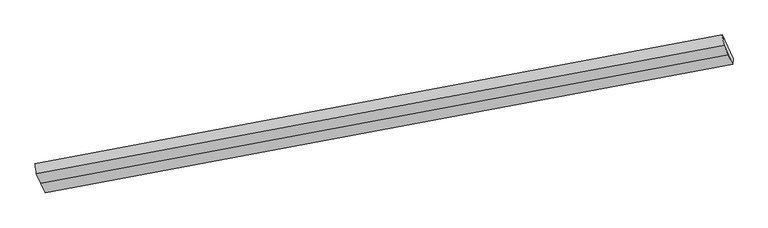
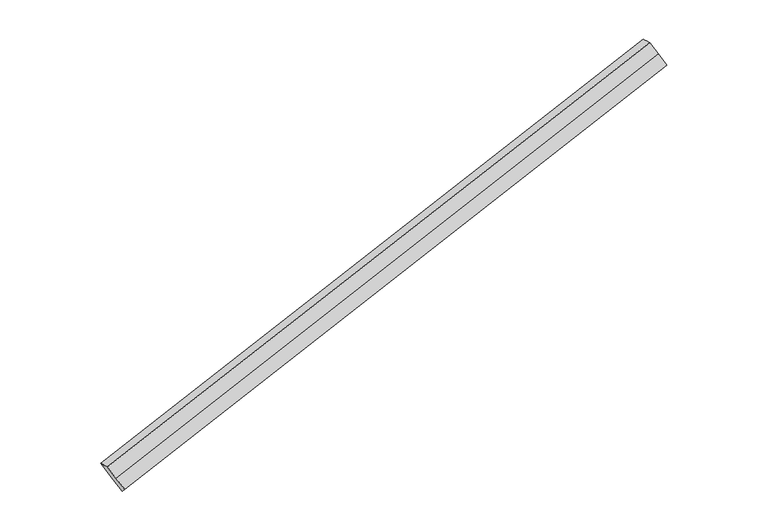
"""IFC4 building model written with IfcOpenShell, lengths in millimetres: proxy geometry."""

from ifc_helpers import new_model, si_unit, frame, origin, place, context, project, spatial, source, transform, mapped, element, save
from ifc_brep_helpers import plane_surface, spline_surface, advanced_brep


def generic_models_4d39e2ae(model_context):
    return source(origin(), model_context, "Body", "AdvancedBrep", [
        advanced_brep(
        [(-7550.2928132, -2327.3627834, 615.7398479), (-7622.6841166, -2165.5220754, 768.9480267), (1748.8210481, -413.0305272, 3343.0591177), (1821.2123514, -574.8712351, 3189.8509389), (-7601.2455731, -2306.2617088, 787.8731204), (1769.720973, -553.8709658, 3361.8361975), (-7542.9815692, -2436.5188973, 664.5638067), (1827.9849769, -684.1281543, 3238.5268838), (-7484.7175652, -2566.7760858, 541.254493), (1886.2489808, -814.3853428, 3115.2175701), (-7477.9015099, -2489.2034913, 462.5316691), (1893.6036548, -736.7119431, 3036.64276)],
        [
            (0, 1),
            (1, 2),
            (2, 3),
            (3, 0),
            (1, 4),
            (4, 5),
            (5, 2),
            (4, 6),
            (6, 7),
            (7, 5),
            (6, 8),
            (8, 9),
            (9, 7),
            (8, 10),
            (10, 11),
            (11, 9),
            (10, 0),
            (3, 11),
        ],
        [
            plane_surface(frame((-7586.4884649, -2246.4424294, 692.3439373), z_axis=(0.06400208481347025, 0.701013123993233, -0.7102706055643705), x_axis=(-0.3089426241382206, 0.6906836970596586, 0.6538428600257037))),
            spline_surface(1, 1, [[(-7622.6841166, -2165.5220754, 768.9480267), (1748.8210481, -413.0305272, 3343.0591177)], [(-7601.2455731, -2306.2617088, 787.8731204), (1769.720973, -553.8709658, 3361.8361975)]], [2, 2], [2, 2], [0.0, 1.0], [0.0, 1.0]),
            plane_surface(frame((-7572.1135711, -2371.3903031, 726.2184635), z_axis=(-0.06400208564220937, -0.7010131241483449, 0.7102706053366031), x_axis=(0.3089426241382622, -0.6906836970596338, -0.6538428600257101))),
            plane_surface(frame((-7513.8495672, -2501.6474916, 602.9091498), z_axis=(-0.06400208564220877, -0.7010131241483452, 0.7102706053366032), x_axis=(0.30894262413826007, -0.6906836970596342, -0.653842860025711))),
            spline_surface(1, 1, [[(-7484.7175652, -2566.7760858, 541.254493), (1886.2489808, -814.3853428, 3115.2175701)], [(-7477.9015099, -2489.2034913, 462.5316691), (1893.6036548, -736.7119431, 3036.64276)]], [2, 2], [2, 2], [0.0, 1.0], [0.0, 1.0]),
            plane_surface(frame((-7514.0971616, -2408.2831373, 539.1357585), z_axis=(0.06400208481346441, 0.7010131239932481, -0.7102706055643563), x_axis=(-0.3089426241382598, 0.6906836970596364, 0.6538428600257087))),
            plane_surface(frame((1824.5986642, -629.4996947, 3214.1889113), z_axis=(0.9487586076193287, 0.1757989233493064, 0.2625868294820926), x_axis=(0.066419571353758, 0.7014633056440652, -0.7096038834279896))),
            plane_surface(frame((-7546.6371912, -2381.9408403, 640.1518273), z_axis=(-0.9490866108153224, -0.17939232924914061, -0.25894593524064574), x_axis=(0.30894262413820317, -0.6906836970596298, -0.6538428600257423))),
        ],
        [
            (0, [[1, 2, 3, 4]]),
            (1, [[5, 6, 7, -2]]),
            (2, [[8, 9, 10, -6]]),
            (3, [[11, 12, 13, -9]]),
            (4, [[14, 15, 16, -12]]),
            (5, [[17, -4, 18, -15]]),
            (6, [[-16, -18, -3, -7, -10, -13]]),
            (7, [[-17, -14, -11, -8, -5, -1]]),
        ],
    ),
    ])


if __name__ == "__main__":
    model = new_model("IFC4")
    model_context = context("Model", 3, world=origin())
    ifc_project = project(units=[si_unit("LENGTHUNIT", "METRE", prefix="MILLI")], contexts=[model_context])
    site = spatial("IfcSite", under=ifc_project)
    building = spatial("IfcBuilding", under=site)
    placement = place(None, origin())
    generic_models_shape = generic_models_4d39e2ae(model_context)
    element("IfcBuildingElementProxy", 1, Name="Generic Models", at=placement, inside=building, context=model_context, shape_type="MappedRepresentation", body=[
        mapped(generic_models_shape, transform((0.0, 0.0, 0.0), x_axis=(1.0, 0.0, 0.0), y_axis=(0.0, 1.0, 0.0), z_axis=(0.0, 0.0, 1.0))),
    ])
    save(model, "model.ifc")
